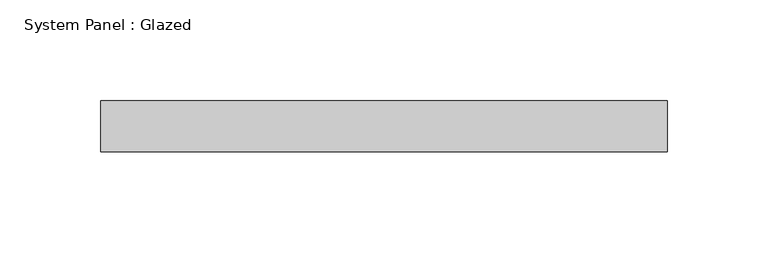
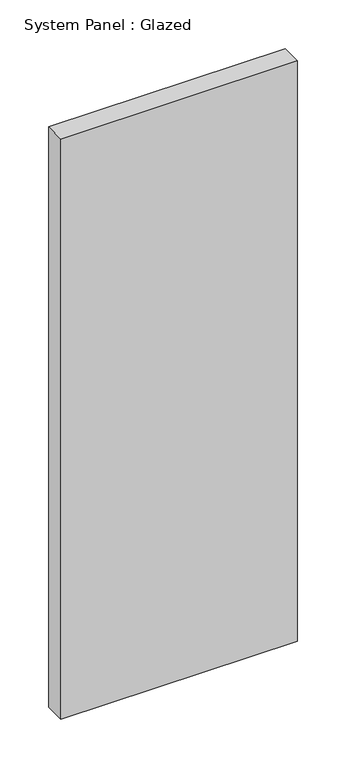
"""IFC4 building model written with IfcOpenShell, lengths in millimetres: plate geometry, System Panel : Glazed."""

from ifc_helpers import new_model, si_unit, origin, origin_with_axes, place, context, project, spatial, polyline, outline, extrude, source, transform, mapped, element, save


def system_panel_glazed_7c8a790a(model_context):
    return source(origin(), model_context, "Body", "SweptSolid", [
        extrude(outline(polyline([(140.7583333, -12.7), (-140.7583333, -12.7), (-140.7583333, 12.7), (140.7583333, 12.7), (140.7583333, -12.7)])), origin_with_axes(), (0.0, 0.0, 1.0), 730.25),
    ])


if __name__ == "__main__":
    model = new_model("IFC4")
    model_context = context("Model", 3, world=origin())
    ifc_project = project(units=[si_unit("LENGTHUNIT", "METRE", prefix="MILLI")], contexts=[model_context])
    site = spatial("IfcSite", under=ifc_project)
    building = spatial("IfcBuilding", under=site)
    placement = place(None, origin())
    system_panel_glazed_shape = system_panel_glazed_7c8a790a(model_context)
    element("IfcPlate", 1, ObjectType="System Panel : Glazed", at=placement, inside=building, context=model_context, shape_type="MappedRepresentation", body=[
        mapped(system_panel_glazed_shape, transform((0.0, 0.0, 0.0), x_axis=(1.0, 0.0, 0.0), y_axis=(0.0, 1.0, 0.0), z_axis=(0.0, 0.0, 1.0))),
    ])
    save(model, "model.ifc")
